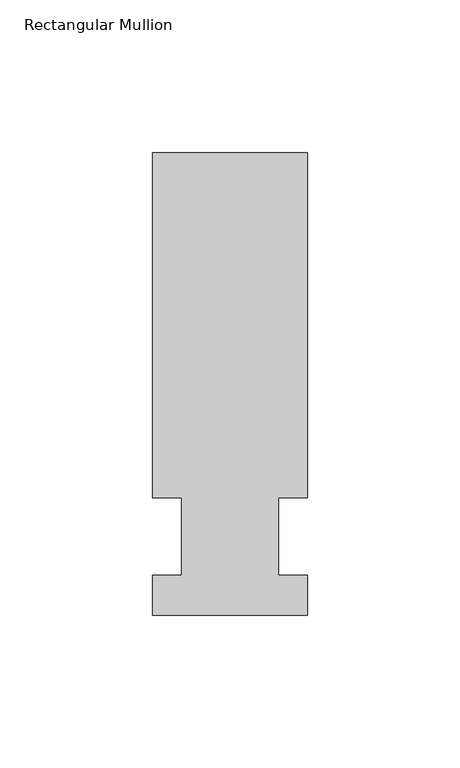
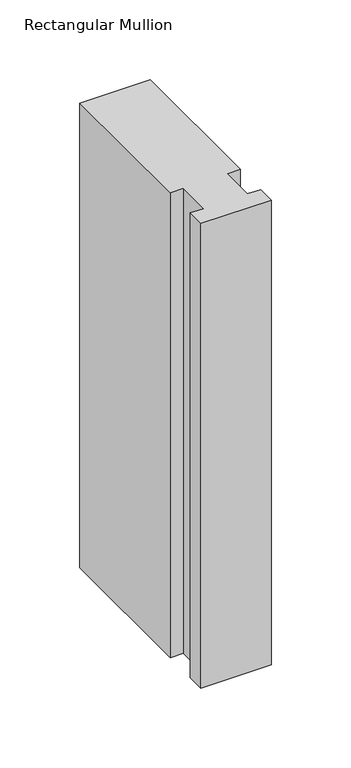
"""IFC4 building model written with IfcOpenShell, lengths in millimetres: member geometry, Rectangular Mullion."""

from ifc_helpers import new_model, si_unit, frame, origin, place, context, project, spatial, polyline, outline, extrude, source, transform, mapped, element, save


def rectangular_mullion_e3943bed(model_context):
    return source(origin(), model_context, "Body", "SweptSolid", [
        extrude(outline(polyline([(-25.4, -25.796875), (-25.4, -12.7), (-15.875, -12.7), (-15.875, 12.7), (-25.4, 12.7), (-25.4, 125.809375), (25.4, 125.809375), (25.4, 12.7), (15.875, 12.7), (15.875, -12.7), (25.4, -12.7), (25.4, -25.796875), (-25.4, -25.796875)])), frame((0.0, 0.0, -355.6), z_axis=(0.0, 0.0, 1.0), x_axis=(1.0, 0.0, 0.0)), (0.0, 0.0, 1.0), 355.6),
    ])


if __name__ == "__main__":
    model = new_model("IFC4")
    model_context = context("Model", 3, world=origin())
    ifc_project = project(units=[si_unit("LENGTHUNIT", "METRE", prefix="MILLI")], contexts=[model_context])
    site = spatial("IfcSite", under=ifc_project)
    building = spatial("IfcBuilding", under=site)
    placement = place(None, origin())
    rectangular_mullion_shape = rectangular_mullion_e3943bed(model_context)
    element("IfcMember", 1, ObjectType="Rectangular Mullion", at=placement, inside=building, context=model_context, shape_type="MappedRepresentation", body=[
        mapped(rectangular_mullion_shape, transform((0.0, 0.0, 0.0), x_axis=(1.0, 0.0, 0.0), y_axis=(0.0, 1.0, 0.0), z_axis=(0.0, 0.0, 1.0))),
    ])
    save(model, "model.ifc")
